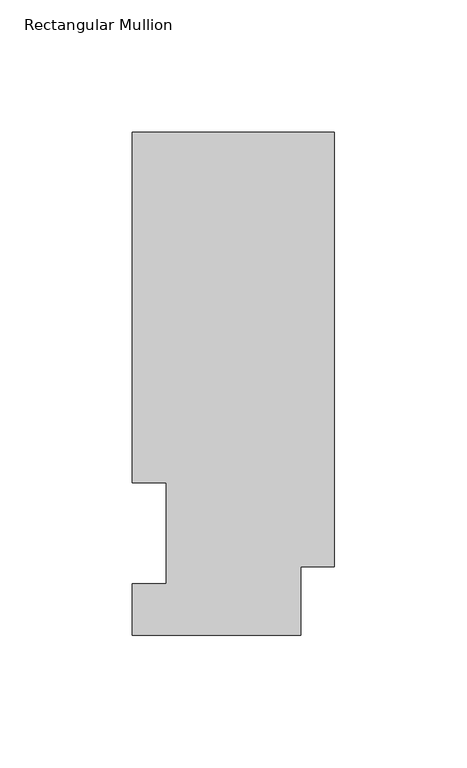
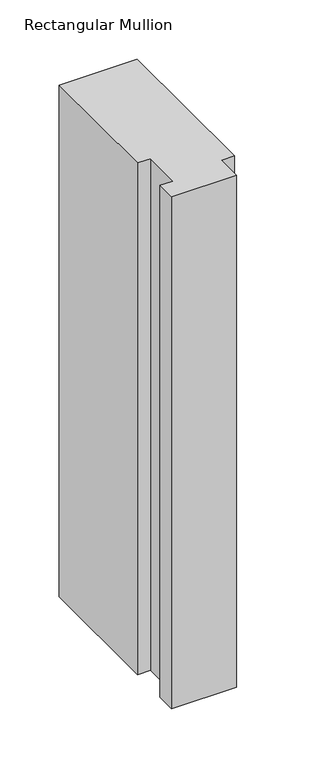
"""IFC4 building model written with IfcOpenShell, lengths in millimetres: member geometry, Rectangular Mullion."""

from ifc_helpers import new_model, si_unit, frame, origin, place, context, project, spatial, polyline, outline, extrude, source, transform, mapped, element, save


def rectangular_mullion_c6cae7db(model_context):
    return source(origin(), model_context, "Body", "SweptSolid", [
        extrude(outline(polyline([(-76.2, 189.8022937), (0.0, 189.8022938), (0.0, 25.8955957), (-12.7, 25.8955957), (-12.7, 0.0134938), (-76.2, 0.0134938), (-76.2, 19.5460938), (-63.5, 19.5460938), (-63.5, 57.6460937), (-76.2, 57.6460937), (-76.2, 189.8022937)])), frame((0.0, 0.0, -527.1259305), z_axis=(0.0, 0.0, 1.0), x_axis=(1.0, 0.0, 0.0)), (0.0, 0.0, 1.0), 527.1259305),
    ])


if __name__ == "__main__":
    model = new_model("IFC4")
    model_context = context("Model", 3, world=origin())
    ifc_project = project(units=[si_unit("LENGTHUNIT", "METRE", prefix="MILLI")], contexts=[model_context])
    site = spatial("IfcSite", under=ifc_project)
    building = spatial("IfcBuilding", under=site)
    placement = place(None, origin())
    rectangular_mullion_shape = rectangular_mullion_c6cae7db(model_context)
    element("IfcMember", 1, ObjectType="Rectangular Mullion", at=placement, inside=building, context=model_context, shape_type="MappedRepresentation", body=[
        mapped(rectangular_mullion_shape, transform((0.0, 0.0, 0.0), x_axis=(1.0, 0.0, 0.0), y_axis=(0.0, 1.0, 0.0), z_axis=(0.0, 0.0, 1.0))),
    ])
    save(model, "model.ifc")
